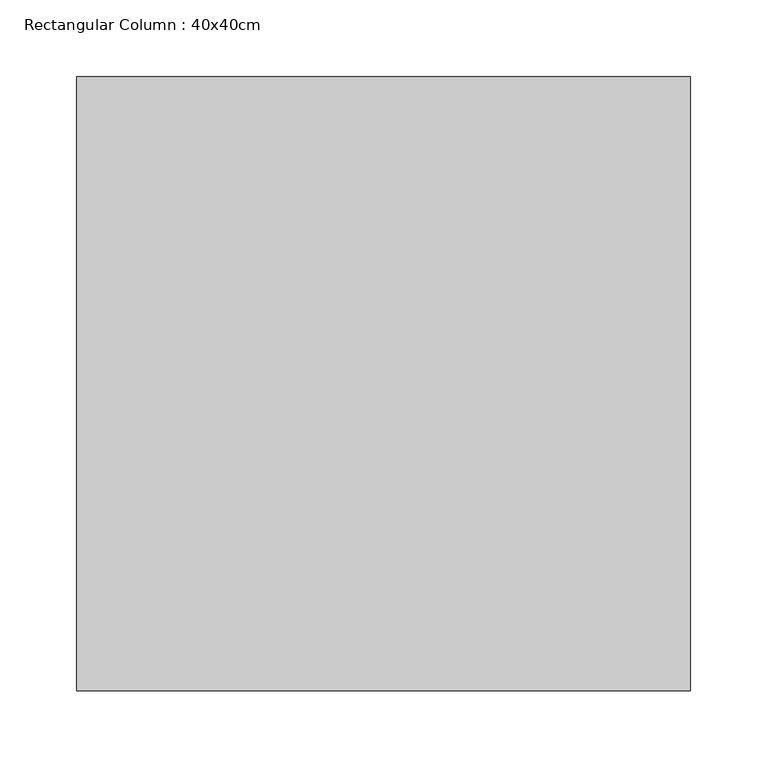
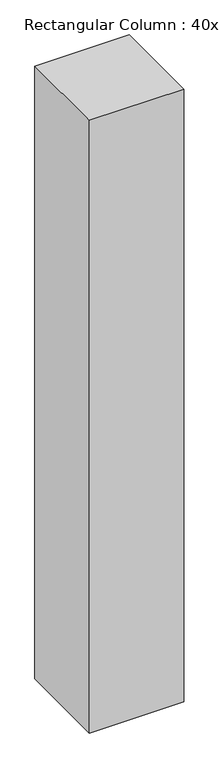
"""IFC4 building model written with IfcOpenShell, lengths in millimetres: column geometry, Rectangular Column : 40x40cm."""

from ifc_helpers import new_model, si_unit, frame, origin, place, context, project, spatial, polyline, outline, extrude, source, transform, mapped, element, save


def rectangular_column_40x40cm_372a51a3(model_context):
    return source(origin(), model_context, "Body", "SweptSolid", [
        extrude(outline(polyline([(200.0, 200.0), (200.0, -200.0), (-200.0, -200.0), (-200.0, 200.0), (200.0, 200.0)])), frame((0.0, 0.0, 90040.0), z_axis=(0.0, 0.0, 1.0), x_axis=(1.0, 0.0, 0.0)), (0.0, 0.0, 1.0), 2743.2),
    ])


if __name__ == "__main__":
    model = new_model("IFC4")
    model_context = context("Model", 3, world=origin())
    ifc_project = project(units=[si_unit("LENGTHUNIT", "METRE", prefix="MILLI")], contexts=[model_context])
    site = spatial("IfcSite", under=ifc_project)
    building = spatial("IfcBuilding", under=site)
    placement = place(None, origin())
    rectangular_column_40x40cm_shape = rectangular_column_40x40cm_372a51a3(model_context)
    element("IfcColumn", 1, ObjectType="Rectangular Column : 40x40cm", at=placement, inside=building, context=model_context, shape_type="MappedRepresentation", body=[
        mapped(rectangular_column_40x40cm_shape, transform((0.0, 0.0, 0.0), x_axis=(1.0, 0.0, 0.0), y_axis=(0.0, 1.0, 0.0), z_axis=(0.0, 0.0, 1.0))),
    ])
    save(model, "model.ifc")
